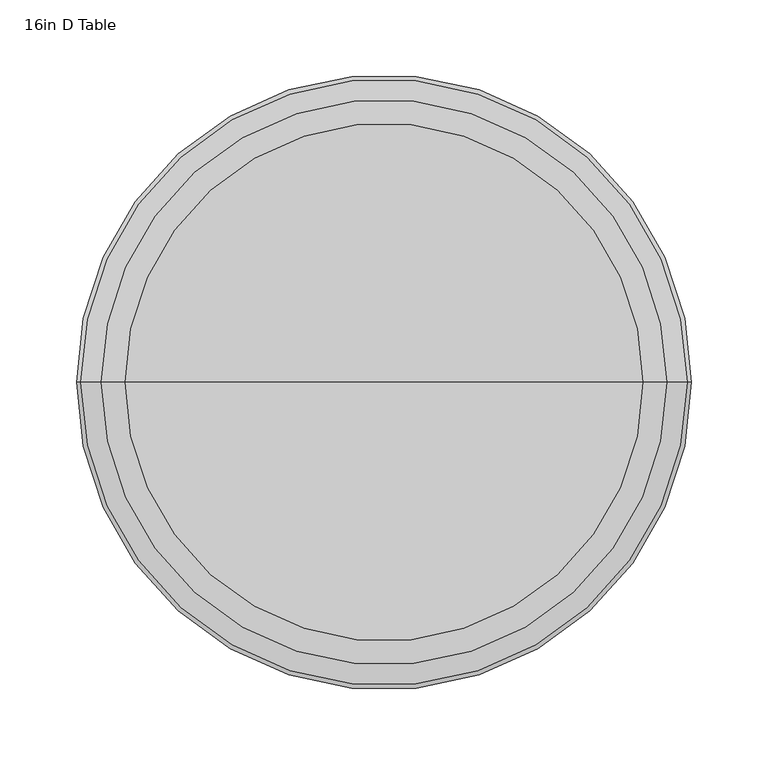
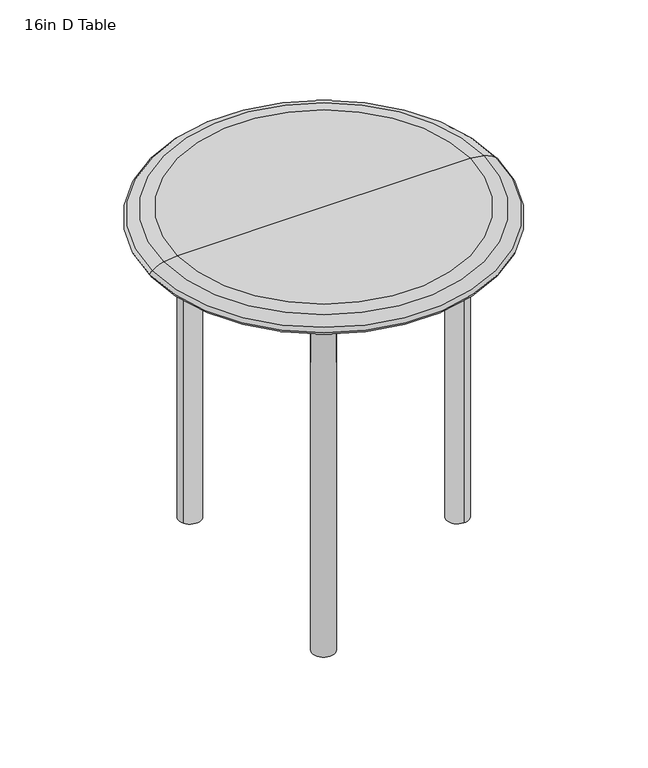
"""IFC4 building model written with IfcOpenShell, lengths in millimetres: furniture geometry, 16in D Table."""

import ifcopenshell
import ifcopenshell.guid

model = None  # the IFC model being written
_history = None  # IfcOwnerHistory: only IFC2X3 demands one
_inside = {}  # id of a spatial element -> (the spatial element, [elements in it])
_under = {}  # id of a project, library or spatial element -> (it, [spatial elements below it])
_declared = {}  # id of a project -> (the project, [libraries it declares])
_typed = {}  # id of a type object -> (the type object, [elements of that type])
_made_of = {}  # id of a material, layer set ... -> (it, [elements and type objects made of it])


def new_model(schema):
    """Start an empty IFC model of exactly this schema.

    Asked for "IFC4X3", IfcOpenShell would pick the latest addendum, in which some entities
    have other attributes; the version numbers below select the first issue.
    IFC2X3 requires an IfcOwnerHistory on every rooted entity: one is made here for all.
    """
    global model, _history
    if schema == "IFC4X3":
        model = ifcopenshell.file(schema_version=(4, 3, 0, 0))
    else:
        model = ifcopenshell.file(schema=schema)
    _inside.clear()
    _under.clear()
    _declared.clear()
    _typed.clear()
    _made_of.clear()
    _history = None
    if model.schema == "IFC2X3":
        org = make("IfcOrganization", Name="unknown")
        user = make(
            "IfcPersonAndOrganization",
            ThePerson=make("IfcPerson", FamilyName="unknown"),
            TheOrganization=org,
        )
        app = make(
            "IfcApplication",
            ApplicationDeveloper=org,
            Version="unknown",
            ApplicationFullName="unknown",
            ApplicationIdentifier="unknown",
        )
        _history = make(
            "IfcOwnerHistory",
            OwningUser=user,
            OwningApplication=app,
            ChangeAction="ADDED",
            CreationDate=0,
        )
    return model


def make(cls, **values):
    """One entity of the class cls with the attributes given. An attribute that is None is left unset."""
    return model.create_entity(
        cls, **{name: value for name, value in values.items() if value is not None}
    )


def rooted(cls, **values):
    """An entity with a GlobalId (a new one), such as an element, a storey or a relation."""
    return make(cls, GlobalId=ifcopenshell.guid.new(), OwnerHistory=_history, **values)


def si_unit(unit_type, name, prefix=None):
    """IfcSIUnit, for example si_unit("LENGTHUNIT", "METRE", prefix="MILLI")."""
    return make("IfcSIUnit", UnitType=unit_type, Prefix=prefix, Name=name)


def assignment(units):
    """IfcUnitAssignment: the units of a project."""
    return None if units is None else make("IfcUnitAssignment", Units=units)


def point(xyz):
    """IfcCartesianPoint."""
    return None if xyz is None else make("IfcCartesianPoint", Coordinates=xyz)


def direction(xyz):
    """IfcDirection."""
    return None if xyz is None else make("IfcDirection", DirectionRatios=xyz)


def frame(location, z_axis=None, x_axis=None):
    """IfcAxis2Placement3D, a coordinate frame: its origin and axes. An axis left out is left unset."""
    return make(
        "IfcAxis2Placement3D",
        Location=point(location),
        Axis=direction(z_axis),
        RefDirection=direction(x_axis),
    )


def frame_2d(location, x_axis=None):
    """IfcAxis2Placement2D, a coordinate frame in the plane: its origin and x axis."""
    return make(
        "IfcAxis2Placement2D", Location=point(location), RefDirection=direction(x_axis)
    )


def origin():
    """The frame at (0, 0, 0) with its axes left unset."""
    return frame((0.0, 0.0, 0.0))


def place(relative_to, where):
    """IfcLocalPlacement: puts the frame where relative to a parent placement (None: the world)."""
    return make(
        "IfcLocalPlacement", PlacementRelTo=relative_to, RelativePlacement=where
    )


def context(
    kind, dimensions, precision=None, world=None, true_north=None, identifier=None
):
    """IfcGeometricRepresentationContext, for example the 3D "Model" context."""
    return make(
        "IfcGeometricRepresentationContext",
        ContextIdentifier=identifier,
        ContextType=kind,
        CoordinateSpaceDimension=dimensions,
        Precision=precision,
        WorldCoordinateSystem=world,
        TrueNorth=true_north,
    )


def project(units=None, contexts=None):
    """IfcProject with its units and contexts."""
    return rooted(
        "IfcProject",
        Name="project",
        RepresentationContexts=contexts,
        UnitsInContext=assignment(units),
    )


def spatial(cls, under=None, at=None, **own):
    """A site, building, storey or space (cls), placed at a placement, below another one or the project."""
    s = rooted(cls, ObjectPlacement=at, **own)
    if under is not None:
        _under.setdefault(under.id(), (under, []))[1].append(s)
    return s


def polyline(points):
    """IfcPolyline through the points."""
    return make("IfcPolyline", Points=[point(p) for p in points])


def circle_curve(where, radius):
    """IfcCircle in the frame where."""
    return make("IfcCircle", Position=where, Radius=radius)


def ellipse_curve(where, semi_axis1, semi_axis2):
    """IfcEllipse in the frame where."""
    return make(
        "IfcEllipse", Position=where, SemiAxis1=semi_axis1, SemiAxis2=semi_axis2
    )


def trimmed(basis, trim1, trim2, sense, master):
    """IfcTrimmedCurve: the piece of a basis curve between two trims."""
    return make(
        "IfcTrimmedCurve",
        BasisCurve=basis,
        Trim1=trim1,
        Trim2=trim2,
        SenseAgreement=sense,
        MasterRepresentation=master,
    )


def segment(curve, same_sense, transition):
    """IfcCompositeCurveSegment."""
    return make(
        "IfcCompositeCurveSegment",
        Transition=transition,
        SameSense=same_sense,
        ParentCurve=curve,
    )


def composite_curve(segments, self_intersect=None):
    """IfcCompositeCurve: segments joined end to end."""
    return make("IfcCompositeCurve", Segments=segments, SelfIntersect=self_intersect)


def outline(outer, holes=None, kind="AREA"):
    """IfcArbitraryClosedProfileDef: a profile drawn as a closed curve; with holes, ...WithVoids."""
    if holes is None:
        return make("IfcArbitraryClosedProfileDef", ProfileType=kind, OuterCurve=outer)
    return make(
        "IfcArbitraryProfileDefWithVoids",
        ProfileType=kind,
        OuterCurve=outer,
        InnerCurves=holes,
    )


def extrude(swept, where, along, depth):
    """IfcExtrudedAreaSolid: the profile swept, set in the frame where, extruded along a direction by depth."""
    return make(
        "IfcExtrudedAreaSolid",
        SweptArea=swept,
        Position=where,
        ExtrudedDirection=direction(along),
        Depth=depth,
    )


def shape(context_of_items, identifier, shape_type, items):
    """IfcShapeRepresentation: the items that make up one representation, for example the "Body"."""
    return make(
        "IfcShapeRepresentation",
        ContextOfItems=context_of_items,
        RepresentationIdentifier=identifier,
        RepresentationType=shape_type,
        Items=items,
    )


def source(mapping_origin, context_of_items, identifier, shape_type, items):
    """IfcRepresentationMap: a shape defined once, which mapped items show again and again."""
    return make(
        "IfcRepresentationMap",
        MappingOrigin=mapping_origin,
        MappedRepresentation=shape(context_of_items, identifier, shape_type, items),
    )


def transform(
    local_origin,
    x_axis=None,
    y_axis=None,
    z_axis=None,
    scale=None,
    scale2=None,
    scale3=None,
    uniform=True,
):
    """IfcCartesianTransformationOperator3D, or its non-uniform kind. x_axis, y_axis, z_axis: its Axis1, 2, 3."""
    if uniform:
        return make(
            "IfcCartesianTransformationOperator3D",
            Axis1=direction(x_axis),
            Axis2=direction(y_axis),
            LocalOrigin=point(local_origin),
            Scale=scale,
            Axis3=direction(z_axis),
        )
    return make(
        "IfcCartesianTransformationOperator3DnonUniform",
        Axis1=direction(x_axis),
        Axis2=direction(y_axis),
        LocalOrigin=point(local_origin),
        Scale=scale,
        Axis3=direction(z_axis),
        Scale2=scale2,
        Scale3=scale3,
    )


def mapped(mapping_source, mapping_target):
    """IfcMappedItem: shows the shape of a source again, moved by a transform."""
    return make(
        "IfcMappedItem", MappingSource=mapping_source, MappingTarget=mapping_target
    )


def made_of(thing, what):
    """Note that an element or type object is made of a material, layer set ...; save() writes the relation."""
    if what is not None:
        _made_of.setdefault(what.id(), (what, []))[1].append(thing)
    return thing


def element(
    cls,
    number,
    at=None,
    inside=None,
    cuts=None,
    type_object=None,
    material=None,
    context=None,
    identifier="Body",
    shape_type=None,
    held_by="IfcProductDefinitionShape",
    body=None,
    shapes=None,
    **own,
):
    """One element of the class cls, such as IfcWall. Its Tag is "e" and its number.

    at: its placement. inside: the storey or other place that contains it. cuts: it is an
    opening in that element (IfcRelVoidsElement). A single representation is given by context,
    identifier, shape_type and body (its items); several are given by shapes. held_by: the class
    of the entity that holds the representations. save() writes the other relations.
    """
    e = rooted(cls, Tag="e%d" % number, ObjectPlacement=at, **own)
    if body is not None:
        shapes = [shape(context, identifier, shape_type, body)]
    if shapes is not None:
        e.Representation = make(held_by, Representations=shapes)
    if inside is not None:
        _inside.setdefault(inside.id(), (inside, []))[1].append(e)
    if cuts is not None:
        rooted(
            "IfcRelVoidsElement", RelatingBuildingElement=cuts, RelatedOpeningElement=e
        )
    if type_object is not None:
        _typed.setdefault(type_object.id(), (type_object, []))[1].append(e)
    return made_of(e, material)


def aggregate(whole, parts):
    """IfcRelAggregates: a whole, such as a stair, and the parts it consists of."""
    return rooted("IfcRelAggregates", RelatingObject=whole, RelatedObjects=parts)


def save(model, path):
    """Write the relations noted so far, then the file.

    IfcRelAggregates (storeys below a building ...), IfcRelContainedInSpatialStructure (elements
    in a storey), IfcRelDefinesByType, IfcRelAssociatesMaterial and IfcRelDeclares: one each for
    every whole, place, type object, material and project.
    """
    for whole, parts in _under.values():
        aggregate(whole, parts)
    for where, things in _inside.values():
        rooted(
            "IfcRelContainedInSpatialStructure",
            RelatedElements=things,
            RelatingStructure=where,
        )
    for kind, things in _typed.values():
        rooted("IfcRelDefinesByType", RelatedObjects=things, RelatingType=kind)
    for what, things in _made_of.values():
        rooted("IfcRelAssociatesMaterial", RelatedObjects=things, RelatingMaterial=what)
    for by, libraries in _declared.values():
        rooted("IfcRelDeclares", RelatingContext=by, RelatedDefinitions=libraries)
    model.write(path)


def plane_surface(at):
    """IfcPlane: the flat surface through the origin of the frame at, square to its z axis."""
    return make("IfcPlane", Position=at)


def cylinder_surface(at, radius):
    """IfcCylindricalSurface: all points at the distance radius from the z axis of the frame at."""
    return make("IfcCylindricalSurface", Position=at, Radius=radius)


def revolved_surface(curve, axis_point, axis_direction):
    """IfcSurfaceOfRevolution: the curve turned about the line through axis_point along axis_direction."""
    return make(
        "IfcSurfaceOfRevolution",
        SweptCurve=make("IfcArbitraryOpenProfileDef", ProfileType="CURVE", Curve=curve),
        AxisPosition=make("IfcAxis1Placement", Location=point(axis_point), Axis=direction(axis_direction)),
    )


def advanced_brep(points, edges, surfaces, faces):
    """IfcAdvancedBrep: a solid bounded by faces that lie on surfaces and meet in shared edges.

    An edge is (start, end): straight between two places in points (the first is 0);
    or (start, end, curve); or (start, end, curve, False) where it runs against its curve.
    A face is (place in surfaces, loops), or (place, loops, False) where it looks against
    its surface's normal. A loop lists edges by number (the first is 1), with a minus sign
    where the edge is run from its end to its start. The first loop is the outer one.
    """
    corners = [point(p) for p in points]
    vertices = [make("IfcVertexPoint", VertexGeometry=c) for c in corners]
    made = []
    for start, end, *more in edges:
        made.append(
            make(
                "IfcEdgeCurve",
                EdgeStart=vertices[start],
                EdgeEnd=vertices[end],
                EdgeGeometry=more[0] if more else make("IfcPolyline", Points=[corners[start], corners[end]]),
                SameSense=more[1] if len(more) > 1 else True,
            )
        )
    hull = []
    for where, loops, *sense in faces:
        bounds = []
        for j, loop in enumerate(loops):
            ring = [make("IfcOrientedEdge", EdgeElement=made[abs(k) - 1], Orientation=k > 0) for k in loop]
            bounds.append(
                make(
                    "IfcFaceOuterBound" if j == 0 else "IfcFaceBound",
                    Bound=make("IfcEdgeLoop", EdgeList=ring),
                    Orientation=True,
                )
            )
        hull.append(make("IfcAdvancedFace", Bounds=bounds, FaceSurface=surfaces[where], SameSense=sense[0] if sense else True))
    return make("IfcAdvancedBrep", Outer=make("IfcClosedShell", CfsFaces=hull))


def furniture_16in_d_table_d92ddba0(model_context):
    return source(origin(), model_context, "Body", "SolidModel", [
        extrude(outline(composite_curve([segment(polyline([(0.0, 0.0), (0.0, -155.7392297), (-15.3769901, -155.7392297), (-15.3769901, -40.3602375)]), True, "CONTINUOUS"), segment(trimmed(circle_curve(frame_2d((-55.7372276, -40.3602375)), 40.3602375), [point((-15.3769901, -40.3602375))], [point((-55.7372276, 0.0))], True, "CARTESIAN"), True, "CONTINUOUS"), segment(polyline([(-55.7372276, 0.0), (0.0, 0.0)]), True, "CONTINUOUS")], self_intersect=False)), frame((-66.5666033, 140.4088694, 406.7999998), z_axis=(-0.8660254037844475, -0.49999999999998473, 0.0), x_axis=(0.0, 0.0, 1.0)), (0.0, 0.0, 1.0), 25.8000589),
        advanced_brep(
        [(-66.508095, 139.907471, 0.0031248), (-88.5051402, 127.207471, 0.0031248), (-66.508095, 139.907471, 350.6439045), (-88.5051402, 127.207471, 350.6439045), (-68.1155876, 91.89173, 391.4230097), (-46.1185424, 104.59173, 391.4230097), (11.1297809, 5.4347254, 391.4230097), (-10.8672643, -7.2652746, 391.4230097)],
        [
            (0, 1, circle_curve(frame((-77.5066176, 133.557471, 0.0031248), z_axis=(0.0, 0.0, -1.0), x_axis=(0.49999999999998473, -0.8660254037844475, 0.0)), 12.7)),
            (1, 0),
            (0, 2),
            (2, 3, circle_curve(frame((-77.5066176, 133.557471, 350.6439045), z_axis=(0.0, 0.0, -1.0), x_axis=(0.49999999999998473, -0.8660254037844475, 0.0)), 12.7)),
            (3, 1),
            (3, 2),
            (4, 3, circle_curve(frame((-68.1155876, 91.89173, 350.6439045), z_axis=(-0.8660254037844475, -0.49999999999998473, 0.0), x_axis=(-0.49999999999998473, 0.8660254037844475, 0.0)), 40.7791052)),
            (2, 5, circle_curve(frame((-46.1185424, 104.59173, 350.6439045), z_axis=(0.8660254037844475, 0.49999999999998473, 0.0), x_axis=(-0.49999999999998473, 0.8660254037844475, 0.0)), 40.7791052)),
            (5, 4, circle_curve(frame((-57.117065, 98.24173, 391.4230097), z_axis=(-0.49999999999998473, 0.8660254037844475, 0.0), x_axis=(0.0, 0.0, -1.0)), 12.7)),
            (4, 5),
            (6, 7),
            (7, 6, circle_curve(frame((0.1312583, -0.9152746, 391.4230097), z_axis=(0.49999999999998473, -0.8660254037844475, 0.0), x_axis=(0.0, 0.0, -1.0)), 12.7)),
            (5, 6),
            (7, 4),
        ],
        [
            plane_surface(frame((-65.9861853, 140.2087957, 0.0031248), z_axis=(0.0, 0.0, -1.0), x_axis=(0.8660254037844475, 0.49999999999998473, 0.0))),
            cylinder_surface(frame((-77.5066176, 133.557471, 0.0031248), z_axis=(0.0, 0.0, -1.0), x_axis=(0.49999999999998473, -0.8660254037844475, 0.0)), 12.7),
            plane_surface(frame((-88.5051402, 127.207471, 0.0031248), z_axis=(-0.4999999999999848, 0.8660254037844475, 0.0), x_axis=(0.0, 0.0, 1.0))),
            revolved_surface(trimmed(ellipse_curve(frame((-77.5066176, 133.557471, 350.6439045), z_axis=(0.0, 0.0, -1.0), x_axis=(0.49999999999998473, -0.8660254037844475, 0.0)), 12.7, 12.7), [point((-66.508095, 139.907471, 350.6439045))], [point((-88.5051402, 127.207471, 350.6439045))], True, "CARTESIAN"), (-45.5966327, 104.8930546, 350.6439045), (0.8660254037844475, 0.49999999999998473, 0.0)),
            cylinder_surface(frame((-45.5966327, 104.8930546, 350.6439045), z_axis=(0.8660254037844475, 0.49999999999998473, 0.0), x_axis=(-0.49999999999998473, 0.8660254037844475, 0.0)), 40.7791052),
            plane_surface(frame((11.6516906, 5.73605, 391.4230097), z_axis=(0.49999999999998473, -0.8660254037844475, 0.0), x_axis=(0.8660254037844475, 0.49999999999998473, 0.0))),
            cylinder_surface(frame((-57.117065, 98.24173, 391.4230097), z_axis=(-0.49999999999998473, 0.8660254037844475, 0.0), x_axis=(0.0, 0.0, -1.0)), 12.7),
            plane_surface(frame((-68.1155876, 91.89173, 391.4230097), z_axis=(0.0, 0.0, 1.0), x_axis=(0.49999999999998473, -0.8660254037844475, 0.0))),
        ],
        [
            (0, [[1, 2]]),
            (1, [[-1, 3, 4, 5]]),
            (2, [[-2, -5, 6, -3]]),
            (3, [[7, -4, 8, 9]]),
            (4, [[-8, -6, -7, 10]]),
            (5, [[11, 12]]),
            (6, [[-9, 13, -12, 14]]),
            (7, [[-10, -14, -11, -13]]),
        ],
    ),
        extrude(outline(composite_curve([segment(polyline([(-66.3348644, 140.0074858), (-88.6783708, 127.1074563)]), True, "CONTINUOUS"), segment(trimmed(circle_curve(frame_2d((-77.5066176, 133.557471)), 12.9000295), [point((-88.6783708, 127.1074563))], [point((-66.3348644, 140.0074858))], False, "CARTESIAN"), True, "CONTINUOUS")], self_intersect=False)), frame((0.0, 0.0, 0.0031248), z_axis=(0.0, 0.0, 1.0), x_axis=(1.0, 0.0, 0.0)), (0.0, 0.0, 1.0), 406.796875),
        extrude(outline(composite_curve([segment(polyline([(0.0, 0.0), (0.0, 155.7392297), (15.3769901, 155.7392297), (15.3769901, 40.3602375)]), True, "CONTINUOUS"), segment(trimmed(circle_curve(frame_2d((55.7372276, 40.3602375)), 40.3602375), [point((15.3769901, 40.3602375))], [point((55.7372276, 0.0))], True, "CARTESIAN"), True, "CONTINUOUS"), segment(polyline([(55.7372276, 0.0), (0.0, 0.0)]), True, "CONTINUOUS")], self_intersect=False)), frame((-88.9101098, -127.5088399, 406.7999998), z_axis=(0.8660254037844445, -0.49999999999998995, 0.0), x_axis=(0.0, 0.0, -1.0)), (0.0, 0.0, 1.0), 25.8000589),
        advanced_brep(
        [(-66.508095, -139.907471, 0.0031248), (-88.5051402, -127.207471, 0.0031248), (-88.5051402, -127.207471, 350.6439045), (-66.508095, -139.907471, 350.6439045), (-68.1155876, -91.89173, 391.4230097), (-46.1185424, -104.59173, 391.4230097), (11.1297809, -5.4347254, 391.4230097), (-10.8672643, 7.2652746, 391.4230097)],
        [
            (0, 1),
            (1, 0, circle_curve(frame((-77.5066176, -133.557471, 0.0031248), z_axis=(0.0, 0.0, -1.0), x_axis=(0.49999999999998995, 0.8660254037844445, 0.0)), 12.7)),
            (1, 2),
            (2, 3, circle_curve(frame((-77.5066176, -133.557471, 350.6439045), z_axis=(0.0, 0.0, -1.0), x_axis=(0.49999999999998995, 0.8660254037844445, 0.0)), 12.7)),
            (3, 0),
            (3, 2),
            (4, 5, circle_curve(frame((-57.117065, -98.24173, 391.4230097), z_axis=(-0.49999999999998995, -0.8660254037844445, 0.0), x_axis=(0.0, 0.0, -1.0)), 12.7)),
            (5, 3, circle_curve(frame((-46.1185424, -104.59173, 350.6439045), z_axis=(0.8660254037844445, -0.49999999999998995, 0.0), x_axis=(-0.49999999999998995, -0.8660254037844445, 0.0)), 40.7791052)),
            (2, 4, circle_curve(frame((-68.1155876, -91.89173, 350.6439045), z_axis=(-0.8660254037844445, 0.49999999999998995, 0.0), x_axis=(-0.49999999999998995, -0.8660254037844445, 0.0)), 40.7791052)),
            (5, 4),
            (6, 7, circle_curve(frame((0.1312583, 0.9152746, 391.4230097), z_axis=(0.49999999999998995, 0.8660254037844445, 0.0), x_axis=(0.0, 0.0, -1.0)), 12.7)),
            (7, 6),
            (4, 7),
            (6, 5),
        ],
        [
            plane_surface(frame((-65.9861853, -140.2087957, 0.0031248), z_axis=(0.0, 0.0, -1.0), x_axis=(0.8660254037844445, -0.49999999999998995, 0.0))),
            cylinder_surface(frame((-77.5066176, -133.557471, 0.0031248), z_axis=(0.0, 0.0, -1.0), x_axis=(0.49999999999998995, 0.8660254037844445, 0.0)), 12.7),
            plane_surface(frame((-88.5051402, -127.207471, 0.0031248), z_axis=(-0.49999999999999, -0.8660254037844445, 0.0), x_axis=(0.0, 0.0, 1.0))),
            revolved_surface(trimmed(ellipse_curve(frame((-77.5066176, -133.557471, 350.6439045), z_axis=(0.0, 0.0, 1.0), x_axis=(0.49999999999998995, 0.8660254037844445, 0.0)), 12.7, 12.7), [point((-66.508095, -139.907471, 350.6439045))], [point((-88.5051402, -127.207471, 350.6439045))], True, "CARTESIAN"), (-45.5966327, -104.8930546, 350.6439045), (0.8660254037844445, -0.49999999999998995, 0.0)),
            cylinder_surface(frame((-45.5966327, -104.8930546, 350.6439045), z_axis=(0.8660254037844445, -0.49999999999998995, 0.0), x_axis=(-0.49999999999998995, -0.8660254037844445, 0.0)), 40.7791052),
            plane_surface(frame((11.6516906, -5.73605, 391.4230097), z_axis=(0.49999999999998995, 0.8660254037844445, 0.0), x_axis=(0.8660254037844445, -0.49999999999998995, 0.0))),
            cylinder_surface(frame((-57.117065, -98.24173, 391.4230097), z_axis=(-0.49999999999998995, -0.8660254037844445, 0.0), x_axis=(0.0, 0.0, -1.0)), 12.7),
            plane_surface(frame((-68.1155876, -91.89173, 391.4230097), z_axis=(0.0, 0.0, 1.0), x_axis=(0.49999999999998995, 0.8660254037844445, 0.0))),
        ],
        [
            (0, [[1, 2]]),
            (1, [[3, 4, 5, -2]]),
            (2, [[-5, 6, -3, -1]]),
            (3, [[7, 8, -4, 9]]),
            (4, [[10, -9, -6, -8]]),
            (5, [[11, 12]]),
            (6, [[13, -11, 14, -7]]),
            (7, [[-14, -12, -13, -10]]),
        ],
    ),
        extrude(outline(composite_curve([segment(trimmed(circle_curve(frame_2d((-77.5066176, -133.557471)), 12.9000295), [point((-66.3348644, -140.0074858))], [point((-88.6783708, -127.1074563))], False, "CARTESIAN"), True, "CONTINUOUS"), segment(polyline([(-88.6783708, -127.1074563), (-66.3348644, -140.0074858)]), True, "CONTINUOUS")], self_intersect=False)), frame((0.0, 0.0, 0.0031248), z_axis=(0.0, 0.0, 1.0), x_axis=(1.0, 0.0, 0.0)), (0.0, 0.0, 1.0), 406.796875),
        extrude(outline(composite_curve([segment(polyline([(406.7999998, 154.8809495), (406.7999998, -0.8582802), (391.4230097, -0.8582802), (391.4230097, 114.520712)]), True, "CONTINUOUS"), segment(trimmed(circle_curve(frame_2d((351.0627722, 114.520712)), 40.3602375), [point((391.4230097, 114.520712))], [point((351.0627722, 154.8809495))], True, "CARTESIAN"), True, "CONTINUOUS"), segment(polyline([(351.0627722, 154.8809495), (406.7999998, 154.8809495)]), True, "CONTINUOUS")], self_intersect=False)), frame((0.0, -12.5560652, 0.0), z_axis=(0.0, 1.0, 0.0), x_axis=(0.0, 0.0, 1.0)), (0.0, 0.0, 1.0), 25.8000589),
        advanced_brep(
        [(154.4174716, -12.3560357, 0.0031248), (154.4174716, 13.0439643, 0.0031248), (154.4174716, -12.3560357, 350.6439045), (154.4174716, 13.0439643, 350.6439045), (113.6383663, 13.0439643, 391.4230097), (113.6383663, -12.3560357, 391.4230097), (-0.8582802, -12.3560357, 391.4230097), (-0.8582802, 13.0439643, 391.4230097)],
        [
            (0, 1, circle_curve(frame((154.4174716, 0.3439643, 0.0031248), z_axis=(0.0, 0.0, -1.0), x_axis=(-1.0, 0.0, 0.0)), 12.7)),
            (1, 0),
            (0, 2),
            (2, 3, circle_curve(frame((154.4174716, 0.3439643, 350.6439045), z_axis=(0.0, 0.0, -1.0), x_axis=(-1.0, 0.0, 0.0)), 12.7)),
            (3, 1),
            (3, 2),
            (4, 3, circle_curve(frame((113.6383663, 13.0439643, 350.6439045), z_axis=(0.0, 1.0, 0.0), x_axis=(1.0, 0.0, 0.0)), 40.7791052)),
            (2, 5, circle_curve(frame((113.6383663, -12.3560357, 350.6439045), z_axis=(0.0, -1.0, 0.0), x_axis=(1.0, 0.0, 0.0)), 40.7791052)),
            (5, 4, circle_curve(frame((113.6383663, 0.3439643, 391.4230097), z_axis=(1.0, 0.0, 0.0), x_axis=(0.0, 0.0, -1.0)), 12.7)),
            (4, 5),
            (6, 7),
            (7, 6, circle_curve(frame((-0.8582802, 0.3439643, 391.4230097), z_axis=(-1.0, 0.0, 0.0), x_axis=(0.0, 0.0, -1.0)), 12.7)),
            (5, 6),
            (7, 4),
        ],
        [
            plane_surface(frame((154.4174716, -12.958685, 0.0031248), z_axis=(0.0, 0.0, -1.0), x_axis=(0.0, -1.0, 0.0))),
            cylinder_surface(frame((154.4174716, 0.3439643, 0.0031248), z_axis=(0.0, 0.0, -1.0), x_axis=(-1.0, 0.0, 0.0)), 12.7),
            plane_surface(frame((154.4174716, 13.0439643, 0.0031248), z_axis=(1.0, 0.0, 0.0), x_axis=(0.0, 0.0, 1.0))),
            revolved_surface(trimmed(ellipse_curve(frame((154.4174716, 0.3439643, 350.6439045), z_axis=(0.0, 0.0, -1.0), x_axis=(-1.0, 0.0, 0.0)), 12.7, 12.7), [point((154.4174716, -12.3560357, 350.6439045))], [point((154.4174716, 13.0439643, 350.6439045))], True, "CARTESIAN"), (113.6383663, -12.958685, 350.6439045), (0.0, -1.0, 0.0)),
            cylinder_surface(frame((113.6383663, -12.958685, 350.6439045), z_axis=(0.0, -1.0, 0.0), x_axis=(1.0, 0.0, 0.0)), 40.7791052),
            plane_surface(frame((-0.8582802, -12.958685, 391.4230097), z_axis=(-1.0, 0.0, 0.0), x_axis=(0.0, -1.0, 0.0))),
            cylinder_surface(frame((113.6383663, 0.3439643, 391.4230097), z_axis=(1.0, 0.0, 0.0), x_axis=(0.0, 0.0, -1.0)), 12.7),
            plane_surface(frame((113.6383663, 13.0439643, 391.4230097), z_axis=(0.0, 0.0, 1.0), x_axis=(-1.0, 0.0, 0.0))),
        ],
        [
            (0, [[1, 2]]),
            (1, [[-1, 3, 4, 5]]),
            (2, [[-2, -5, 6, -3]]),
            (3, [[7, -4, 8, 9]]),
            (4, [[-8, -6, -7, 10]]),
            (5, [[11, 12]]),
            (6, [[-9, 13, -12, 14]]),
            (7, [[-10, -14, -11, -13]]),
        ],
    ),
        extrude(outline(composite_curve([segment(polyline([(154.4174716, -12.5560652), (154.4174716, 13.2439937)]), True, "CONTINUOUS"), segment(trimmed(circle_curve(frame_2d((154.4174716, 0.3439643)), 12.9000295), [point((154.4174716, 13.2439937))], [point((154.4174716, -12.5560652))], False, "CARTESIAN"), True, "CONTINUOUS")], self_intersect=False)), frame((0.0, 0.0, 0.0031248), z_axis=(0.0, 0.0, 1.0), x_axis=(1.0, 0.0, 0.0)), (0.0, 0.0, 1.0), 406.796875),
        advanced_brep(
        [(169.0459554, 0.0, 431.8), (0.0, 0.0, 431.8), (-169.0459554, 0.0, 431.8), (184.6187293, 0.0, 429.6461404), (-184.6187293, 0.0, 429.6461404), (197.9469444, 0.0, 423.4310916), (-197.9469444, 0.0, 423.4310916), (200.8395659, 0.0, 419.2999999), (-200.8395659, 0.0, 419.2999999), (197.9469444, 0.0, 415.1689082), (-197.9469444, 0.0, 415.1689082), (184.6187293, 0.0, 408.9538594), (-184.6187293, 0.0, 408.9538594), (169.0459554, 0.0, 406.7999998), (-169.0459554, 0.0, 406.7999998), (0.0, 0.0, 406.7999998)],
        [
            (0, 1),
            (1, 2),
            (2, 0, circle_curve(frame((0.0, 0.0, 431.8), z_axis=(0.0, 0.0, 1.0), x_axis=(-1.0, 0.0, 0.0)), 169.0459554)),
            (0, 2, circle_curve(frame((0.0, 0.0, 431.8), z_axis=(0.0, 0.0, 1.0), x_axis=(-1.0, 0.0, 0.0)), 169.0459554)),
            (3, 0, circle_curve(frame((164.5229782, 0.0, 341.7242603), z_axis=(0.0, -1.0, 0.0), x_axis=(-1.0, 0.0, 0.0)), 90.1892245)),
            (2, 4, circle_curve(frame((-164.5229782, 0.0, 341.7242603), z_axis=(0.0, -1.0, 0.0), x_axis=(1.0, 0.0, 0.0)), 90.1892245)),
            (4, 3, circle_curve(frame((0.0, 0.0, 429.6461404), z_axis=(0.0, 0.0, 1.0), x_axis=(-1.0, 0.0, 0.0)), 184.6187293)),
            (3, 4, circle_curve(frame((0.0, 0.0, 429.6461404), z_axis=(0.0, 0.0, 1.0), x_axis=(-1.0, 0.0, 0.0)), 184.6187293)),
            (5, 3, circle_curve(frame((176.818841, 0.0, 395.5204769), z_axis=(0.0, -1.0, 0.0), x_axis=(-1.0, 0.0, 0.0)), 35.0057019)),
            (4, 6, circle_curve(frame((-176.818841, 0.0, 395.5204769), z_axis=(0.0, -1.0, 0.0), x_axis=(1.0, 0.0, 0.0)), 35.0057019)),
            (6, 5, circle_curve(frame((0.0, 0.0, 423.4310916), z_axis=(0.0, 0.0, 1.0), x_axis=(-1.0, 0.0, 0.0)), 197.9469444)),
            (5, 6, circle_curve(frame((0.0, 0.0, 423.4310916), z_axis=(0.0, 0.0, 1.0), x_axis=(-1.0, 0.0, 0.0)), 197.9469444)),
            (7, 5, circle_curve(frame((192.9884886, 0.0, 416.8808799), z_axis=(0.0, -1.0, 0.0), x_axis=(-1.0, 0.0, 0.0)), 8.2153245)),
            (6, 8, circle_curve(frame((-192.9884886, 0.0, 416.8808799), z_axis=(0.0, -1.0, 0.0), x_axis=(1.0, 0.0, 0.0)), 8.2153245)),
            (8, 7, circle_curve(frame((0.0, 0.0, 419.2999999), z_axis=(0.0, 0.0, 1.0), x_axis=(-1.0, 0.0, 0.0)), 200.8395659)),
            (7, 8, circle_curve(frame((0.0, 0.0, 419.2999999), z_axis=(0.0, 0.0, 1.0), x_axis=(-1.0, 0.0, 0.0)), 200.8395659)),
            (9, 7, circle_curve(frame((192.9884886, 0.0, 421.7191199), z_axis=(0.0, -1.0, 0.0), x_axis=(-1.0, 0.0, 0.0)), 8.2153245)),
            (8, 10, circle_curve(frame((-192.9884886, 0.0, 421.7191199), z_axis=(0.0, -1.0, 0.0), x_axis=(1.0, 0.0, 0.0)), 8.2153245)),
            (10, 9, circle_curve(frame((0.0, 0.0, 415.1689082), z_axis=(0.0, 0.0, 1.0), x_axis=(-1.0, 0.0, 0.0)), 197.9469444)),
            (9, 10, circle_curve(frame((0.0, 0.0, 415.1689082), z_axis=(0.0, 0.0, 1.0), x_axis=(-1.0, 0.0, 0.0)), 197.9469444)),
            (11, 9, circle_curve(frame((176.818841, 0.0, 443.0795229), z_axis=(0.0, -1.0, 0.0), x_axis=(-1.0, 0.0, 0.0)), 35.0057019)),
            (10, 12, circle_curve(frame((-176.818841, 0.0, 443.0795229), z_axis=(0.0, -1.0, 0.0), x_axis=(1.0, 0.0, 0.0)), 35.0057019)),
            (12, 11, circle_curve(frame((0.0, 0.0, 408.9538594), z_axis=(0.0, 0.0, 1.0), x_axis=(-1.0, 0.0, 0.0)), 184.6187293)),
            (11, 12, circle_curve(frame((0.0, 0.0, 408.9538594), z_axis=(0.0, 0.0, 1.0), x_axis=(-1.0, 0.0, 0.0)), 184.6187293)),
            (13, 11, circle_curve(frame((164.5229782, 0.0, 496.8757395), z_axis=(0.0, -1.0, 0.0), x_axis=(-1.0, 0.0, 0.0)), 90.1892245)),
            (12, 14, circle_curve(frame((-164.5229782, 0.0, 496.8757395), z_axis=(0.0, -1.0, 0.0), x_axis=(1.0, 0.0, 0.0)), 90.1892245)),
            (14, 13, circle_curve(frame((0.0, 0.0, 406.7999998), z_axis=(0.0, 0.0, 1.0), x_axis=(-1.0, 0.0, 0.0)), 169.0459554)),
            (13, 14, circle_curve(frame((0.0, 0.0, 406.7999998), z_axis=(0.0, 0.0, 1.0), x_axis=(-1.0, 0.0, 0.0)), 169.0459554)),
            (15, 13),
            (14, 15),
        ],
        [
            plane_surface(frame((0.0, 0.0, 431.8), z_axis=(0.0, 0.0, 1.0), x_axis=(-1.0, 0.0, 0.0))),
            revolved_surface(trimmed(ellipse_curve(frame((-164.5229782, 0.0, 341.7242603), z_axis=(0.0, -1.0, 0.0), x_axis=(1.0, 0.0, 0.0)), 90.1892245, 90.1892245), [point((-169.0459554, 0.0, 431.8))], [point((-184.6187293, 0.0, 429.6461404))], True, "CARTESIAN"), (0.0, 0.0, 2421.4288111), (0.0, 0.0, -1.0)),
            revolved_surface(trimmed(ellipse_curve(frame((-176.818841, 0.0, 395.5204769), z_axis=(0.0, -1.0, 0.0), x_axis=(1.0, 0.0, 0.0)), 35.0057019, 35.0057019), [point((-184.6187293, 0.0, 429.6461404))], [point((-197.9469444, 0.0, 423.4310916))], True, "CARTESIAN"), (0.0, 0.0, 2421.4288111), (0.0, 0.0, -1.0)),
            revolved_surface(trimmed(ellipse_curve(frame((-192.9884886, 0.0, 416.8808799), z_axis=(0.0, -1.0, 0.0), x_axis=(1.0, 0.0, 0.0)), 8.2153245, 8.2153245), [point((-197.9469444, 0.0, 423.4310916))], [point((-200.8395659, 0.0, 419.2999999))], True, "CARTESIAN"), (0.0, 0.0, 2421.4288111), (0.0, 0.0, -1.0)),
            revolved_surface(trimmed(ellipse_curve(frame((-192.9884886, 0.0, 421.7191199), z_axis=(0.0, -1.0, 0.0), x_axis=(1.0, 0.0, 0.0)), 8.2153245, 8.2153245), [point((-200.8395659, 0.0, 419.2999999))], [point((-197.9469444, 0.0, 415.1689082))], True, "CARTESIAN"), (0.0, 0.0, 2421.4288111), (0.0, 0.0, -1.0)),
            revolved_surface(trimmed(ellipse_curve(frame((-176.818841, 0.0, 443.0795229), z_axis=(0.0, -1.0, 0.0), x_axis=(1.0, 0.0, 0.0)), 35.0057019, 35.0057019), [point((-197.9469444, 0.0, 415.1689082))], [point((-184.6187293, 0.0, 408.9538594))], True, "CARTESIAN"), (0.0, 0.0, 2421.4288111), (0.0, 0.0, -1.0)),
            revolved_surface(trimmed(ellipse_curve(frame((-164.5229782, 0.0, 496.8757395), z_axis=(0.0, -1.0, 0.0), x_axis=(1.0, 0.0, 0.0)), 90.1892245, 90.1892245), [point((-184.6187293, 0.0, 408.9538594))], [point((-169.0459554, 0.0, 406.7999998))], True, "CARTESIAN"), (0.0, 0.0, 2421.4288111), (0.0, 0.0, -1.0)),
            plane_surface(frame((0.0, 0.0, 406.7999998), z_axis=(0.0, 0.0, -1.0), x_axis=(-1.0, 0.0, 0.0))),
        ],
        [
            (0, [[1, 2, 3]]),
            (0, [[-2, -1, 4]]),
            (1, [[5, -3, 6, 7]]),
            (1, [[-6, -4, -5, 8]]),
            (2, [[9, -7, 10, 11]]),
            (2, [[-10, -8, -9, 12]]),
            (3, [[13, -11, 14, 15]]),
            (3, [[-14, -12, -13, 16]]),
            (4, [[17, -15, 18, 19]]),
            (4, [[-18, -16, -17, 20]]),
            (5, [[21, -19, 22, 23]]),
            (5, [[-22, -20, -21, 24]]),
            (6, [[25, -23, 26, 27]]),
            (6, [[-26, -24, -25, 28]]),
            (7, [[29, -27, 30]]),
            (7, [[-30, -28, -29]]),
        ],
    ),
    ])


if __name__ == "__main__":
    model = new_model("IFC4")
    model_context = context("Model", 3, world=origin())
    ifc_project = project(units=[si_unit("LENGTHUNIT", "METRE", prefix="MILLI")], contexts=[model_context])
    site = spatial("IfcSite", under=ifc_project)
    building = spatial("IfcBuilding", under=site)
    placement = place(None, origin())
    furniture_16in_d_table_shape = furniture_16in_d_table_d92ddba0(model_context)
    element("IfcFurniture", 1, ObjectType="16in D Table", at=placement, inside=building, context=model_context, shape_type="MappedRepresentation", body=[
        mapped(furniture_16in_d_table_shape, transform((0.0, 0.0, 0.0), x_axis=(1.0, 0.0, 0.0), y_axis=(0.0, 1.0, 0.0), z_axis=(0.0, 0.0, 1.0))),
    ])
    save(model, "model.ifc")
